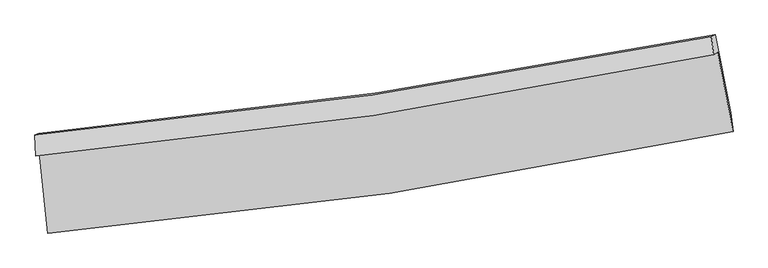
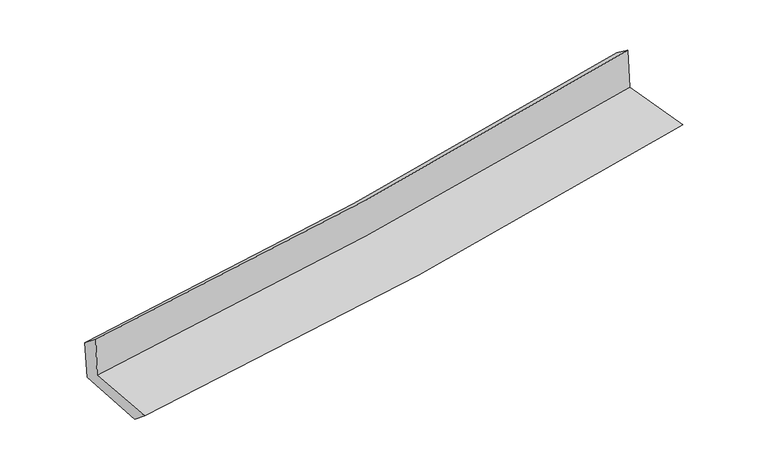
"""IFC4 building model written with IfcOpenShell, lengths in millimetres: proxy geometry."""

from ifc_helpers import new_model, si_unit, frame, origin, place, context, project, spatial, source, transform, mapped, element, save
from ifc_brep_helpers import plane_surface, spline_curve, spline_surface, advanced_brep


def generic_models_0ecc28a0(model_context):
    return source(origin(), model_context, "Body", "AdvancedBrep", [
        advanced_brep(
        [(-2826.2624296, -1887.6849337, 1663.4291806), (-2755.3073514, -2558.1686864, 1632.6622582), (2915.408682, -1714.7859012, 2104.6273835), (2787.5638098, -1056.9902581, 2130.0064335), (-2858.0426821, -1919.3405428, 2060.8003694), (2754.4050911, -1078.9370701, 2531.8081235), (-2863.5670749, -1744.6826367, 1921.6943336), (2735.9949699, -928.9448912, 2422.0280494), (-2832.5315737, -1730.1562914, 1552.5715148), (2768.3858948, -913.9442963, 2042.7440438), (-2759.8957834, -2403.9429699, 1506.5405878), (2895.1876569, -1559.3645292, 2003.1876232)],
        [
            (0, 1),
            (1, 2, spline_curve(3, [(-2755.3073514, -2558.1686864, 1632.6622582), (-1810.264479518, -2478.620326145, 1719.639947256), (-869.068443471, -2369.394900488, 1802.17036747), (1021.29992684, -2089.267841703, 1959.642011713), (1970.342568877, -1917.365671972, 2034.43329987), (2915.408682, -1714.7859012, 2104.6273835)], [4, 2, 4], [0.0, 9.315724509980038, 18.78718300980142])),
            (2, 3),
            (3, 0, spline_curve(3, [(2787.5638098, -1056.9902581, 2130.0064335), (1851.168297582, -1249.037184841, 2061.103206425), (911.244757949, -1414.641643367, 1987.408460255), (-960.145720031, -1690.677459266, 1831.726436097), (-1891.497593775, -1801.971226055, 1749.895431412), (-2826.2624296, -1887.6849337, 1663.4291806)], [4, 2, 4], [0.0, 9.471458499821383, 18.78718300980142])),
            (4, 0),
            (3, 5),
            (5, 4, spline_curve(3, [(2754.4050911, -1078.9370701, 2531.8081235), (1819.520537168, -1275.273032605, 2453.863748578), (880.462998928, -1443.826767666, 2375.310546262), (-990.489025715, -1723.05515356, 2218.288104711), (-1922.247411435, -1834.635909742, 2139.838722265), (-2858.0426821, -1919.3405428, 2060.8003694)], [4, 2, 4], [0.0, 9.42303095757494, 18.691124192786493])),
            (6, 4),
            (5, 7),
            (7, 6, spline_curve(3, [(2735.9949699, -928.9448912, 2422.0280494), (1802.343465346, -1114.319153636, 2336.180691117), (864.989027525, -1275.347775643, 2251.224238721), (-1001.652423271, -1546.466335169, 2084.475390081), (-1930.818667353, -1657.350295078, 2002.653936866), (-2863.5670749, -1744.6826367, 1921.6943336)], [4, 2, 4], [0.0, 9.411567954973702, 18.66838666743965])),
            (8, 6),
            (7, 9),
            (9, 8, spline_curve(3, [(2768.3858948, -913.9442963, 2042.7440438), (1834.510748432, -1099.39832131, 1958.492985433), (896.9305847, -1260.506672682, 1875.188929058), (-970.162742077, -1531.783314526, 1711.828972152), (-1899.555068146, -1642.745628116, 1631.742185642), (-2832.5315737, -1730.1562914, 1552.5715148)], [4, 2, 4], [0.0, 9.400122305376154, 18.645683562774273])),
            (10, 8),
            (9, 11),
            (11, 10, spline_curve(3, [(2895.1876569, -1559.3645292, 2003.1876232), (1951.138778489, -1743.280644801, 1918.257577311), (1003.924940903, -1906.029638787, 1834.068316902), (-881.206095952, -2186.86542946, 1668.543465528), (-1819.020071877, -2305.642582692, 1587.183714034), (-2759.8957834, -2403.9429699, 1506.5405878)], [4, 2, 4], [0.0, 9.448086733900745, 18.740823767070054])),
            (1, 10),
            (11, 2),
        ],
        [
            spline_surface(3, 3, [[(-2826.2624296, -1887.6849337, 1663.4291806), (-1891.49759364, -1801.971226146, 1749.895431312), (-960.145720116, -1690.677459335, 1831.726436082), (911.244758035, -1414.641643298, 1987.408460271), (1851.168297645, -1249.037184851, 2061.10320648), (2787.5638098, -1056.9902581, 2130.0064335)], [(-2802.610736861, -2111.179517952, 1653.173539822), (-1864.41988892, -2027.520926126, 1739.81026998), (-929.78662795, -1916.916606417, 1821.874413234), (947.929814305, -1639.517042722, 1978.152977418), (1890.893054687, -1471.813347201, 2052.213237631), (2830.178767188, -1276.255472439, 2121.546750189)], [(-2778.959044139, -2334.674102148, 1642.917898978), (-1837.342184217, -2253.070626049, 1729.72510858), (-899.427535714, -2143.155753517, 1812.022390352), (984.614870647, -1864.392442165, 1968.89749453), (1930.617811764, -1694.589509634, 2043.323268716), (2872.793724612, -1495.520686861, 2113.087066811)], [(-2755.3073514, -2558.1686864, 1632.6622582), (-1810.264479497, -2478.620326028, 1719.639947247), (-869.068443548, -2369.394900599, 1802.170367505), (1021.299926917, -2089.267841589, 1959.642011677), (1970.342568805, -1917.365671985, 2034.433299867), (2915.408682, -1714.7859012, 2104.6273835)]], [4, 4], [4, 2, 4], [0.0, 2.2463657560404546], [0.0, 9.315724509980038, 18.78718300980142]),
            spline_surface(3, 3, [[(-2858.0426821, -1919.3405428, 2060.8003694), (-1922.247411578, -1834.635909626, 2139.838722412), (-990.489025598, -1723.05515366, 2218.288104819), (880.462998809, -1443.826767564, 2375.310546153), (1819.520537217, -1275.273032571, 2453.863748429), (2754.4050911, -1078.9370701, 2531.8081235)], [(-2847.449264581, -1908.788673099, 1928.343306473), (-1911.997472247, -1823.747681798, 2009.857625386), (-980.374590424, -1712.262588907, 2089.434215248), (890.723585231, -1434.098392831, 2246.009850867), (1830.069790704, -1266.527749997, 2322.943567771), (2765.457997345, -1071.6214661, 2397.874226825)], [(-2836.855847119, -1898.236803401, 1795.886243527), (-1901.747532971, -1812.859453974, 1879.876528339), (-970.26015529, -1701.470024087, 1960.580325652), (900.984171613, -1424.370018031, 2116.709155556), (1840.619044158, -1257.782467425, 2192.023387138), (2776.510903555, -1064.3058621, 2263.940330175)], [(-2826.2624296, -1887.6849337, 1663.4291806), (-1891.49759364, -1801.971226146, 1749.895431312), (-960.145720116, -1690.677459335, 1831.726436082), (911.244758035, -1414.641643298, 1987.408460271), (1851.168297645, -1249.037184851, 2061.10320648), (2787.5638098, -1056.9902581, 2130.0064335)]], [4, 4], [4, 2, 4], [0.0, 1.2784247951103462], [0.0, 9.268093235211554, 18.691124192786493]),
            spline_surface(3, 3, [[(-2863.5670749, -1744.6826367, 1921.6943336), (-1930.818667485, -1657.350295214, 2002.653937017), (-1001.652423401, -1546.466335291, 2084.475390023), (864.989027657, -1275.347775519, 2251.224238779), (1802.343465209, -1114.31915357, 2336.180691064), (2735.9949699, -928.9448912, 2422.0280494)], [(-2861.725610654, -1802.901938733, 1968.063012186), (-1927.961582204, -1716.445500017, 2048.382198801), (-997.931290819, -1605.329274735, 2129.079628274), (870.147018022, -1331.507439521, 2292.586341222), (1808.069155881, -1167.97044658, 2375.408376859), (2742.13167697, -978.942284176, 2458.62140744)], [(-2859.884146346, -1861.121240767, 2014.431690814), (-1925.104496859, -1775.540704822, 2094.110460628), (-994.21015818, -1664.192214216, 2173.683866568), (875.305008445, -1387.667103562, 2333.948443709), (1813.794846545, -1221.621739561, 2414.636062634), (2748.26838403, -1028.939677124, 2495.21476546)], [(-2858.0426821, -1919.3405428, 2060.8003694), (-1922.247411578, -1834.635909626, 2139.838722412), (-990.489025598, -1723.05515366, 2218.288104819), (880.462998809, -1443.826767564, 2375.310546153), (1819.520537217, -1275.273032571, 2453.863748429), (2754.4050911, -1078.9370701, 2531.8081235)]], [4, 4], [4, 2, 4], [0.0, 0.7077035877859478], [0.0, 9.256818712465947, 18.66838666743965]),
            spline_surface(3, 3, [[(-2832.5315737, -1730.1562914, 1552.5715148), (-1899.555067997, -1642.745628228, 1631.742185499), (-970.162742174, -1531.783314552, 1711.828972115), (896.930584799, -1260.506672655, 1875.188929095), (1834.510748459, -1099.398321272, 1958.492985437), (2768.3858948, -913.9442963, 2042.7440438)], [(-2842.876740756, -1734.998406498, 1675.612454413), (-1909.976267815, -1647.613850555, 1755.379436018), (-980.659302553, -1536.677654804, 1836.044444753), (886.283399116, -1265.453706948, 2000.534032325), (1823.788320694, -1104.371932043, 2084.388887293), (2757.588919818, -918.944494605, 2169.172045647)], [(-2853.221907844, -1739.840521602, 1798.653393987), (-1920.397467667, -1652.482072887, 1879.016686498), (-991.155863023, -1541.571995039, 1960.259917385), (875.636213341, -1270.400741225, 2125.879135549), (1813.065892975, -1109.345542799, 2210.284789208), (2746.791944882, -923.944692895, 2295.600047553)], [(-2863.5670749, -1744.6826367, 1921.6943336), (-1930.818667485, -1657.350295214, 2002.653937017), (-1001.652423401, -1546.466335291, 2084.475390023), (864.989027657, -1275.347775519, 2251.224238779), (1802.343465209, -1114.31915357, 2336.180691064), (2735.9949699, -928.9448912, 2422.0280494)]], [4, 4], [4, 2, 4], [0.0, 1.2335965929678325], [0.0, 9.24556125739812, 18.645683562774273]),
            spline_surface(3, 3, [[(-2759.8957834, -2403.9429699, 1506.5405878), (-1819.020071938, -2305.642582629, 1587.183713951), (-881.206096098, -2186.865429515, 1668.543465524), (1003.924941052, -1906.02963873, 1834.068316906), (1951.138778642, -1743.280644912, 1918.257577181), (2895.1876569, -1559.3645292, 2003.1876232)], [(-2784.107713492, -2179.347410391, 1521.884230107), (-1845.865070616, -2084.676931153, 1602.036537773), (-910.858311473, -1968.504724516, 1682.971967706), (968.260155617, -1690.855316694, 1847.77518762), (1912.262768596, -1528.653203686, 1931.669379951), (2852.920402882, -1344.224451554, 2016.373096751)], [(-2808.319643608, -1954.751850909, 1537.227872493), (-1872.710069319, -1863.711279704, 1616.889361676), (-940.510526799, -1750.144019552, 1697.400469934), (932.595370233, -1475.680994692, 1861.482058381), (1873.386758505, -1314.025762498, 1945.081182668), (2810.653148818, -1129.084373946, 2029.558570249)], [(-2832.5315737, -1730.1562914, 1552.5715148), (-1899.555067997, -1642.745628228, 1631.742185499), (-970.162742174, -1531.783314552, 1711.828972115), (896.930584799, -1260.506672655, 1875.188929095), (1834.510748459, -1099.398321272, 1958.492985437), (2768.3858948, -913.9442963, 2042.7440438)]], [4, 4], [4, 2, 4], [0.0, 2.1618701300132543], [0.0, 9.29273703316931, 18.740823767070054]),
            spline_surface(3, 3, [[(-2755.3073514, -2558.1686864, 1632.6622582), (-1810.264479497, -2478.620326028, 1719.639947247), (-869.068443548, -2369.394900599, 1802.170367505), (1021.299926917, -2089.267841589, 1959.642011677), (1970.342568805, -1917.365671985, 2034.433299867), (2915.408682, -1714.7859012, 2104.6273835)], [(-2756.836828756, -2506.760114227, 1590.621701399), (-1813.183010333, -2420.961078222, 1675.487869481), (-873.114327716, -2308.551743574, 1757.628066852), (1015.508264978, -2028.188440639, 1917.784113428), (1963.941305415, -1859.337329653, 1995.708058953), (2908.668340298, -1662.978777226, 2070.814130048)], [(-2758.366306044, -2455.351542073, 1548.581144601), (-1816.101541102, -2363.301830435, 1631.335791717), (-877.16021193, -2247.708586541, 1713.085766176), (1009.716602991, -1967.109039681, 1875.926215155), (1957.540042032, -1801.308987244, 1956.982818095), (2901.927998602, -1611.171653174, 2037.000876652)], [(-2759.8957834, -2403.9429699, 1506.5405878), (-1819.020071938, -2305.642582629, 1587.183713951), (-881.206096098, -2186.865429515, 1668.543465524), (1003.924941052, -1906.02963873, 1834.068316906), (1951.138778642, -1743.280644912, 1918.257577181), (2895.1876569, -1559.3645292, 2003.1876232)]], [4, 4], [4, 2, 4], [0.0, 0.7368800496000353], [0.0, 9.351528177543562, 18.8593888864584]),
            plane_surface(frame((2809.4910174, -1208.8278244, 2205.7336095), z_axis=(0.9782174651568201, 0.186612079643806, 0.09092041901123853), x_axis=(-0.08502447013477861, -0.03937577072663715, 0.9956005163508019))),
            plane_surface(frame((-2815.9344825, -2040.6626768, 1722.9497074), z_axis=(-0.991061765987849, -0.10087491930263616, -0.08729734619524486), x_axis=(-0.10512963082651862, 0.9934131731506999, 0.04558539385524127))),
        ],
        [
            (0, [[1, 2, 3, 4]]),
            (1, [[5, -4, 6, 7]]),
            (2, [[8, -7, 9, 10]]),
            (3, [[11, -10, 12, 13]]),
            (4, [[14, -13, 15, 16]]),
            (5, [[17, -16, 18, -2]]),
            (6, [[-12, -9, -6, -3, -18, -15]]),
            (7, [[-1, -5, -8, -11, -14, -17]]),
        ],
    ),
    ])


if __name__ == "__main__":
    model = new_model("IFC4")
    model_context = context("Model", 3, world=origin())
    ifc_project = project(units=[si_unit("LENGTHUNIT", "METRE", prefix="MILLI")], contexts=[model_context])
    site = spatial("IfcSite", under=ifc_project)
    building = spatial("IfcBuilding", under=site)
    placement = place(None, origin())
    generic_models_shape = generic_models_0ecc28a0(model_context)
    element("IfcBuildingElementProxy", 1, Name="Generic Models", at=placement, inside=building, context=model_context, shape_type="MappedRepresentation", body=[
        mapped(generic_models_shape, transform((0.0, 0.0, 0.0), x_axis=(1.0, 0.0, 0.0), y_axis=(0.0, 1.0, 0.0), z_axis=(0.0, 0.0, 1.0))),
    ])
    save(model, "model.ifc")
